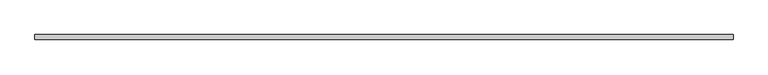
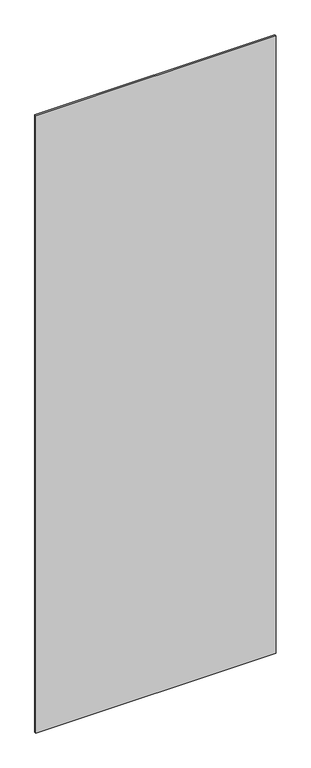
"""IFC4 building model written with IfcOpenShell, lengths in millimetres: plate geometry."""

import ifcopenshell
import ifcopenshell.guid

model = None  # the IFC model being written
_history = None  # IfcOwnerHistory: only IFC2X3 demands one
_inside = {}  # id of a spatial element -> (the spatial element, [elements in it])
_under = {}  # id of a project, library or spatial element -> (it, [spatial elements below it])
_declared = {}  # id of a project -> (the project, [libraries it declares])
_typed = {}  # id of a type object -> (the type object, [elements of that type])
_made_of = {}  # id of a material, layer set ... -> (it, [elements and type objects made of it])


def new_model(schema):
    """Start an empty IFC model of exactly this schema.

    Asked for "IFC4X3", IfcOpenShell would pick the latest addendum, in which some entities
    have other attributes; the version numbers below select the first issue.
    IFC2X3 requires an IfcOwnerHistory on every rooted entity: one is made here for all.
    """
    global model, _history
    if schema == "IFC4X3":
        model = ifcopenshell.file(schema_version=(4, 3, 0, 0))
    else:
        model = ifcopenshell.file(schema=schema)
    _inside.clear()
    _under.clear()
    _declared.clear()
    _typed.clear()
    _made_of.clear()
    _history = None
    if model.schema == "IFC2X3":
        org = make("IfcOrganization", Name="unknown")
        user = make(
            "IfcPersonAndOrganization",
            ThePerson=make("IfcPerson", FamilyName="unknown"),
            TheOrganization=org,
        )
        app = make(
            "IfcApplication",
            ApplicationDeveloper=org,
            Version="unknown",
            ApplicationFullName="unknown",
            ApplicationIdentifier="unknown",
        )
        _history = make(
            "IfcOwnerHistory",
            OwningUser=user,
            OwningApplication=app,
            ChangeAction="ADDED",
            CreationDate=0,
        )
    return model


def make(cls, **values):
    """One entity of the class cls with the attributes given. An attribute that is None is left unset."""
    return model.create_entity(
        cls, **{name: value for name, value in values.items() if value is not None}
    )


def rooted(cls, **values):
    """An entity with a GlobalId (a new one), such as an element, a storey or a relation."""
    return make(cls, GlobalId=ifcopenshell.guid.new(), OwnerHistory=_history, **values)


def si_unit(unit_type, name, prefix=None):
    """IfcSIUnit, for example si_unit("LENGTHUNIT", "METRE", prefix="MILLI")."""
    return make("IfcSIUnit", UnitType=unit_type, Prefix=prefix, Name=name)


def assignment(units):
    """IfcUnitAssignment: the units of a project."""
    return None if units is None else make("IfcUnitAssignment", Units=units)


def point(xyz):
    """IfcCartesianPoint."""
    return None if xyz is None else make("IfcCartesianPoint", Coordinates=xyz)


def direction(xyz):
    """IfcDirection."""
    return None if xyz is None else make("IfcDirection", DirectionRatios=xyz)


def frame(location, z_axis=None, x_axis=None):
    """IfcAxis2Placement3D, a coordinate frame: its origin and axes. An axis left out is left unset."""
    return make(
        "IfcAxis2Placement3D",
        Location=point(location),
        Axis=direction(z_axis),
        RefDirection=direction(x_axis),
    )


def origin():
    """The frame at (0, 0, 0) with its axes left unset."""
    return frame((0.0, 0.0, 0.0))


def origin_with_axes():
    """The frame at (0, 0, 0) with the z axis (0, 0, 1) and the x axis (1, 0, 0) written out."""
    return frame((0.0, 0.0, 0.0), z_axis=(0.0, 0.0, 1.0), x_axis=(1.0, 0.0, 0.0))


def place(relative_to, where):
    """IfcLocalPlacement: puts the frame where relative to a parent placement (None: the world)."""
    return make(
        "IfcLocalPlacement", PlacementRelTo=relative_to, RelativePlacement=where
    )


def context(
    kind, dimensions, precision=None, world=None, true_north=None, identifier=None
):
    """IfcGeometricRepresentationContext, for example the 3D "Model" context."""
    return make(
        "IfcGeometricRepresentationContext",
        ContextIdentifier=identifier,
        ContextType=kind,
        CoordinateSpaceDimension=dimensions,
        Precision=precision,
        WorldCoordinateSystem=world,
        TrueNorth=true_north,
    )


def project(units=None, contexts=None):
    """IfcProject with its units and contexts."""
    return rooted(
        "IfcProject",
        Name="project",
        RepresentationContexts=contexts,
        UnitsInContext=assignment(units),
    )


def spatial(cls, under=None, at=None, **own):
    """A site, building, storey or space (cls), placed at a placement, below another one or the project."""
    s = rooted(cls, ObjectPlacement=at, **own)
    if under is not None:
        _under.setdefault(under.id(), (under, []))[1].append(s)
    return s


def polyline(points):
    """IfcPolyline through the points."""
    return make("IfcPolyline", Points=[point(p) for p in points])


def outline(outer, holes=None, kind="AREA"):
    """IfcArbitraryClosedProfileDef: a profile drawn as a closed curve; with holes, ...WithVoids."""
    if holes is None:
        return make("IfcArbitraryClosedProfileDef", ProfileType=kind, OuterCurve=outer)
    return make(
        "IfcArbitraryProfileDefWithVoids",
        ProfileType=kind,
        OuterCurve=outer,
        InnerCurves=holes,
    )


def extrude(swept, where, along, depth):
    """IfcExtrudedAreaSolid: the profile swept, set in the frame where, extruded along a direction by depth."""
    return make(
        "IfcExtrudedAreaSolid",
        SweptArea=swept,
        Position=where,
        ExtrudedDirection=direction(along),
        Depth=depth,
    )


def shape(context_of_items, identifier, shape_type, items):
    """IfcShapeRepresentation: the items that make up one representation, for example the "Body"."""
    return make(
        "IfcShapeRepresentation",
        ContextOfItems=context_of_items,
        RepresentationIdentifier=identifier,
        RepresentationType=shape_type,
        Items=items,
    )


def source(mapping_origin, context_of_items, identifier, shape_type, items):
    """IfcRepresentationMap: a shape defined once, which mapped items show again and again."""
    return make(
        "IfcRepresentationMap",
        MappingOrigin=mapping_origin,
        MappedRepresentation=shape(context_of_items, identifier, shape_type, items),
    )


def transform(
    local_origin,
    x_axis=None,
    y_axis=None,
    z_axis=None,
    scale=None,
    scale2=None,
    scale3=None,
    uniform=True,
):
    """IfcCartesianTransformationOperator3D, or its non-uniform kind. x_axis, y_axis, z_axis: its Axis1, 2, 3."""
    if uniform:
        return make(
            "IfcCartesianTransformationOperator3D",
            Axis1=direction(x_axis),
            Axis2=direction(y_axis),
            LocalOrigin=point(local_origin),
            Scale=scale,
            Axis3=direction(z_axis),
        )
    return make(
        "IfcCartesianTransformationOperator3DnonUniform",
        Axis1=direction(x_axis),
        Axis2=direction(y_axis),
        LocalOrigin=point(local_origin),
        Scale=scale,
        Axis3=direction(z_axis),
        Scale2=scale2,
        Scale3=scale3,
    )


def mapped(mapping_source, mapping_target):
    """IfcMappedItem: shows the shape of a source again, moved by a transform."""
    return make(
        "IfcMappedItem", MappingSource=mapping_source, MappingTarget=mapping_target
    )


def made_of(thing, what):
    """Note that an element or type object is made of a material, layer set ...; save() writes the relation."""
    if what is not None:
        _made_of.setdefault(what.id(), (what, []))[1].append(thing)
    return thing


def element(
    cls,
    number,
    at=None,
    inside=None,
    cuts=None,
    type_object=None,
    material=None,
    context=None,
    identifier="Body",
    shape_type=None,
    held_by="IfcProductDefinitionShape",
    body=None,
    shapes=None,
    **own,
):
    """One element of the class cls, such as IfcWall. Its Tag is "e" and its number.

    at: its placement. inside: the storey or other place that contains it. cuts: it is an
    opening in that element (IfcRelVoidsElement). A single representation is given by context,
    identifier, shape_type and body (its items); several are given by shapes. held_by: the class
    of the entity that holds the representations. save() writes the other relations.
    """
    e = rooted(cls, Tag="e%d" % number, ObjectPlacement=at, **own)
    if body is not None:
        shapes = [shape(context, identifier, shape_type, body)]
    if shapes is not None:
        e.Representation = make(held_by, Representations=shapes)
    if inside is not None:
        _inside.setdefault(inside.id(), (inside, []))[1].append(e)
    if cuts is not None:
        rooted(
            "IfcRelVoidsElement", RelatingBuildingElement=cuts, RelatedOpeningElement=e
        )
    if type_object is not None:
        _typed.setdefault(type_object.id(), (type_object, []))[1].append(e)
    return made_of(e, material)


def aggregate(whole, parts):
    """IfcRelAggregates: a whole, such as a stair, and the parts it consists of."""
    return rooted("IfcRelAggregates", RelatingObject=whole, RelatedObjects=parts)


def save(model, path):
    """Write the relations noted so far, then the file.

    IfcRelAggregates (storeys below a building ...), IfcRelContainedInSpatialStructure (elements
    in a storey), IfcRelDefinesByType, IfcRelAssociatesMaterial and IfcRelDeclares: one each for
    every whole, place, type object, material and project.
    """
    for whole, parts in _under.values():
        aggregate(whole, parts)
    for where, things in _inside.values():
        rooted(
            "IfcRelContainedInSpatialStructure",
            RelatedElements=things,
            RelatingStructure=where,
        )
    for kind, things in _typed.values():
        rooted("IfcRelDefinesByType", RelatedObjects=things, RelatingType=kind)
    for what, things in _made_of.values():
        rooted("IfcRelAssociatesMaterial", RelatedObjects=things, RelatingMaterial=what)
    for by, libraries in _declared.values():
        rooted("IfcRelDeclares", RelatingContext=by, RelatedDefinitions=libraries)
    model.write(path)


def plate_9a0b023c(model_context):
    return source(origin(), model_context, "Body", "SweptSolid", [
        extrude(outline(polyline([(710.9635004, -5.0), (-710.9635004, -5.0), (-710.9635004, 5.0), (710.9635004, 5.0), (710.9635004, -5.0)])), origin_with_axes(), (0.0, 0.0, 1.0), 3860.0),
    ])


if __name__ == "__main__":
    model = new_model("IFC4")
    model_context = context("Model", 3, world=origin())
    ifc_project = project(units=[si_unit("LENGTHUNIT", "METRE", prefix="MILLI")], contexts=[model_context])
    site = spatial("IfcSite", under=ifc_project)
    building = spatial("IfcBuilding", under=site)
    placement = place(None, origin())
    plate_shape = plate_9a0b023c(model_context)
    element("IfcPlate", 1, at=placement, inside=building, context=model_context, shape_type="MappedRepresentation", body=[
        mapped(plate_shape, transform((0.0, 0.0, 0.0), x_axis=(1.0, 0.0, 0.0), y_axis=(0.0, 1.0, 0.0), z_axis=(0.0, 0.0, 1.0))),
    ])
    save(model, "model.ifc")
